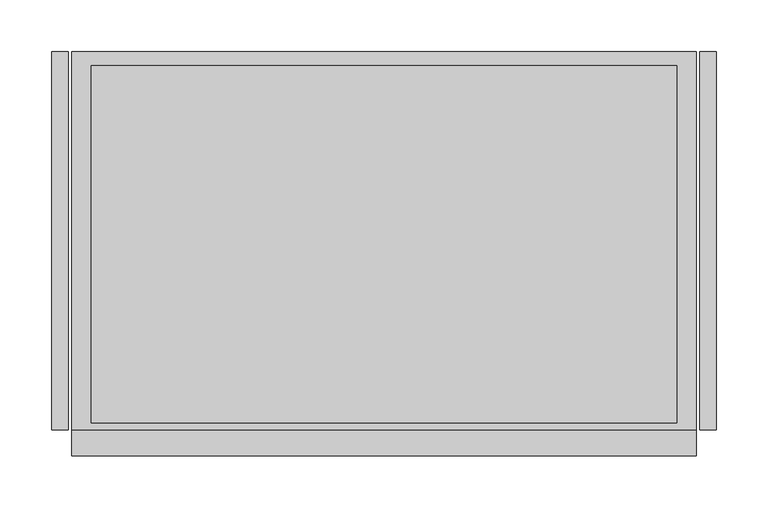
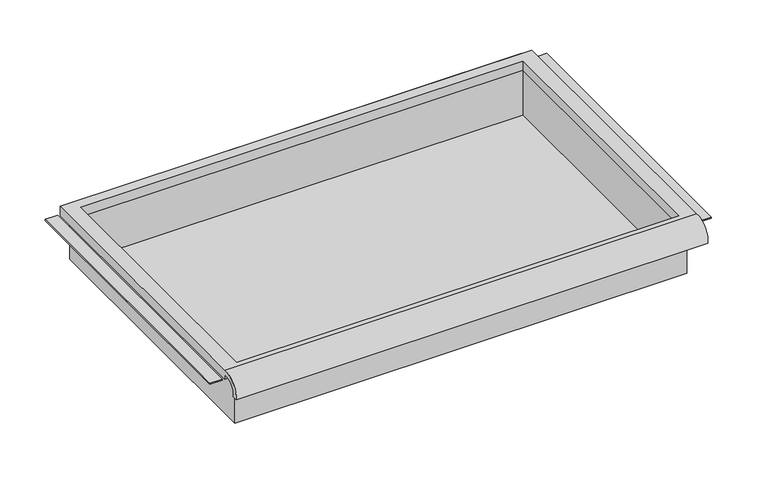
"""IFC4 building model written with IfcOpenShell, lengths in millimetres: furniture geometry."""

from ifc_helpers import new_model, si_unit, frame, origin, place, context, project, spatial, polyline, circle_curve, faceted_brep, source, transform, mapped, element, save
from ifc_brep_helpers import plane_surface, cylinder_surface, revolved_surface, advanced_brep


def furniture_2f9c513c(model_context):
    return source(origin(), model_context, "Body", "SolidModel", [
        advanced_brep(
        [(305.0224999, -195.297482, 888.2035683), (305.0224999, -188.9125, 888.2035683), (305.0224999, -169.8625, 906.4650415), (305.0224999, -169.8625, 900.11504), (305.0224999, 195.2625, 900.11504), (305.0224999, 195.2625, 912.8150415), (305.0224999, -169.8625, 912.8150415), (-298.2275001, -195.297482, 888.2035683), (-298.2275001, -169.8625, 912.8150415), (-298.2275001, 195.2625, 912.8150415), (-298.2275001, 195.2625, 900.11504), (-298.2275001, -169.8625, 900.11504), (-298.2275001, -169.8625, 906.4650415), (-298.2275001, -188.9125, 888.2035683), (285.9725003, 181.9275, 900.11504), (-279.1775005, 181.9275, 900.11504), (-279.1775005, -163.5125, 900.11504), (285.9725003, -163.5125, 900.11504), (-279.1775005, 181.9275, 912.8150415), (285.9725003, 181.9275, 912.8150415), (285.9725003, -163.5125, 912.8150415), (-279.1775005, -163.5125, 912.8150415)],
        [
            (0, 1),
            (1, 2, circle_curve(frame((305.0224999, -172.3404634, 889.9829787), z_axis=(-1.0, 0.0, 0.0), x_axis=(0.0, 1.0, 0.0)), 16.6672942)),
            (2, 3),
            (3, 4),
            (4, 5),
            (5, 6),
            (6, 0, circle_curve(frame((305.0224999, -172.4601678, 890.0508687), z_axis=(1.0, 0.0, 0.0), x_axis=(0.0, 1.0, 0.0)), 22.9119061)),
            (7, 8, circle_curve(frame((-298.2275001, -172.4601678, 890.0508687), z_axis=(-1.0, 0.0, 0.0), x_axis=(0.0, 1.0, 0.0)), 22.9119061)),
            (8, 9),
            (9, 10),
            (10, 11),
            (11, 12),
            (12, 13, circle_curve(frame((-298.2275001, -172.3404634, 889.9829787), z_axis=(1.0, 0.0, 0.0), x_axis=(0.0, 1.0, 0.0)), 16.6672942)),
            (13, 7),
            (0, 7),
            (13, 1),
            (12, 2),
            (11, 3),
            (10, 4),
            (14, 15),
            (15, 16),
            (16, 17),
            (17, 14),
            (9, 5),
            (8, 6),
            (18, 19),
            (19, 20),
            (20, 21),
            (21, 18),
            (14, 19),
            (18, 15),
            (21, 16),
            (20, 17),
        ],
        [
            plane_surface(frame((305.0224999, -195.297482, 888.2035683), z_axis=(1.0, 0.0, 0.0), x_axis=(0.0, 1.0, 0.0))),
            plane_surface(frame((-298.2275001, -195.297482, 888.2035683), z_axis=(-1.0, 0.0, 0.0), x_axis=(0.0, -1.0, 0.0))),
            plane_surface(frame((305.0224999, -195.297482, 888.2035683), z_axis=(0.0, 0.0, -1.0), x_axis=(-1.0, 0.0, 0.0))),
            revolved_surface(polyline([(-298.2275001, -155.67316920000002, 889.9829787), (305.0224999, -155.67316920000002, 889.9829787)]), (-298.2275001, -172.3404634, 889.9829787), (-1.0, 0.0, 0.0)),
            plane_surface(frame((305.0224999, -169.8625, 906.4650415), z_axis=(0.0, -1.0, 1.673327743759486e-12), x_axis=(-1.0, 0.0, 0.0))),
            plane_surface(frame((305.0224999, -169.8625, 900.11504), z_axis=(0.0, 0.0, -1.0), x_axis=(-1.0, 0.0, 0.0))),
            plane_surface(frame((305.0224999, 195.2625, 900.11504), z_axis=(0.0, 1.0, 0.0), x_axis=(-1.0, 0.0, 0.0))),
            plane_surface(frame((305.0224999, 195.2625, 912.8150415), z_axis=(0.0, 0.0, 1.0), x_axis=(-1.0, 0.0, 0.0))),
            cylinder_surface(frame((-298.2275001, -172.4601678, 890.0508687), z_axis=(1.0, 0.0, 0.0), x_axis=(0.0, 1.0, 0.0)), 22.9119061),
            plane_surface(frame((285.9725003, 181.9275, 912.8150415), z_axis=(0.0, -1.0, 0.0), x_axis=(0.0, 0.0, -1.0))),
            plane_surface(frame((-279.1775005, 181.9275, 912.8150415), z_axis=(1.0, 0.0, 0.0), x_axis=(0.0, 0.0, -1.0))),
            plane_surface(frame((-279.1775005, -163.5125, 912.8150415), z_axis=(0.0, 1.0, 0.0), x_axis=(0.0, 0.0, -1.0))),
            plane_surface(frame((285.9725003, -163.5125, 912.8150415), z_axis=(-1.0, 0.0, 0.0), x_axis=(0.0, 0.0, -1.0))),
        ],
        [
            (0, [[1, 2, 3, 4, 5, 6, 7]]),
            (1, [[8, 9, 10, 11, 12, 13, 14]]),
            (2, [[-1, 15, -14, 16]]),
            (3, [[-2, -16, -13, 17]]),
            (4, [[-3, -17, -12, 18]]),
            (5, [[-4, -18, -11, 19], [20, 21, 22, 23]]),
            (6, [[-5, -19, -10, 24]]),
            (7, [[-6, -24, -9, 25], [26, 27, 28, 29]]),
            (8, [[-7, -25, -8, -15]]),
            (9, [[30, -26, 31, -20]]),
            (10, [[-31, -29, 32, -21]]),
            (11, [[-32, -28, 33, -22]]),
            (12, [[-30, -23, -33, -27]]),
        ],
    ),
        faceted_brep([(-285.5275005, -169.8625, 836.6150415), (292.3225003, -169.8625, 836.6150415), (292.3225003, -169.8625, 912.8150415), (-285.5275005, -169.8625, 912.8150415), (-285.5275005, 195.2625, 836.6150415), (-285.5275005, 195.2625, 912.8150415), (292.3225003, 195.2625, 912.8150415), (292.3225003, 195.2625, 836.6150415), (-279.1775005, 181.9275, 912.8150415), (285.9725003, 181.9275, 912.8150415), (285.9725003, -163.5125, 912.8150415), (-279.1775005, -163.5125, 912.8150415), (285.9725003, 181.9275, 839.6412134), (-279.1775005, 181.9275, 839.6412134), (-279.1775005, -163.5125, 839.6412134), (285.9725003, -163.5125, 839.6412134)], [[[0, 1, 2, 3]], [[4, 5, 6, 7]], [[1, 0, 4, 7]], [[2, 1, 7, 6]], [[3, 2, 6, 5], [8, 9, 10, 11]], [[0, 3, 5, 4]], [[12, 13, 14, 15]], [[13, 12, 9, 8]], [[14, 13, 8, 11]], [[15, 14, 11, 10]], [[12, 15, 10, 9]]]),
        faceted_brep([(-317.2774997, 195.2625, 900.11504), (-317.2774997, 195.2625, 901.70254), (-301.4025001, 195.2625, 901.70254), (-301.4025001, 195.2625, 900.11504), (-317.2774997, -169.8625, 900.11504), (-301.4025001, -169.8625, 900.11504), (-301.4025001, -169.8625, 901.70254), (-317.2774997, -169.8625, 901.70254)], [[[0, 1, 2, 3]], [[4, 5, 6, 7]], [[1, 0, 4, 7]], [[2, 1, 7, 6]], [[3, 2, 6, 5]], [[0, 3, 5, 4]]]),
        faceted_brep([(324.0725245, 195.2625, 900.11504), (308.1974999, 195.2625, 900.11504), (308.1974999, 195.2625, 901.70254), (324.0725245, 195.2625, 901.70254), (324.0725245, -169.8625, 900.11504), (324.0725245, -169.8625, 901.70254), (308.1974999, -169.8625, 901.70254), (308.1974999, -169.8625, 900.11504)], [[[0, 1, 2, 3]], [[4, 5, 6, 7]], [[1, 0, 4, 7]], [[2, 1, 7, 6]], [[3, 2, 6, 5]], [[0, 3, 5, 4]]]),
    ])


if __name__ == "__main__":
    model = new_model("IFC4")
    model_context = context("Model", 3, world=origin())
    ifc_project = project(units=[si_unit("LENGTHUNIT", "METRE", prefix="MILLI")], contexts=[model_context])
    site = spatial("IfcSite", under=ifc_project)
    building = spatial("IfcBuilding", under=site)
    placement = place(None, origin())
    furniture_shape = furniture_2f9c513c(model_context)
    element("IfcFurniture", 1, at=placement, inside=building, context=model_context, shape_type="MappedRepresentation", body=[
        mapped(furniture_shape, transform((0.0, 0.0, 0.0), x_axis=(1.0, 0.0, 0.0), y_axis=(0.0, 1.0, 0.0), z_axis=(0.0, 0.0, 1.0))),
    ])
    save(model, "model.ifc")
